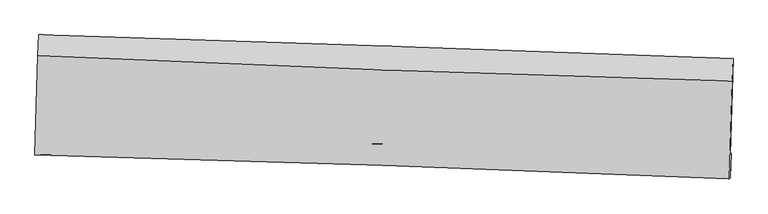
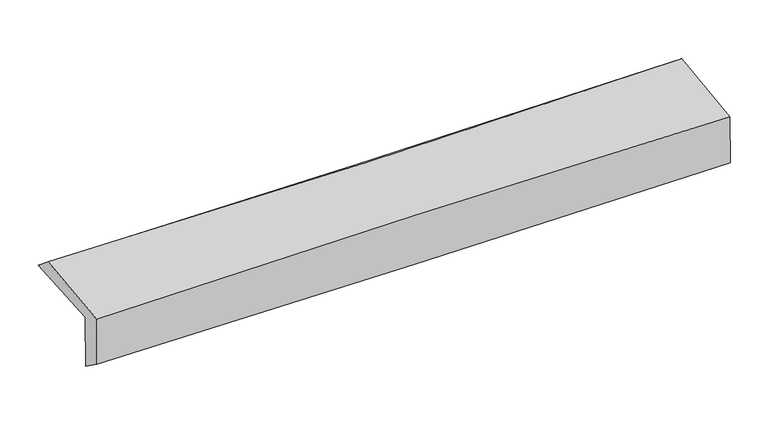
"""IFC4 building model written with IfcOpenShell, lengths in millimetres: proxy geometry."""

from ifc_helpers import new_model, si_unit, frame, origin, place, context, project, spatial, source, transform, mapped, element, save
from ifc_brep_helpers import plane_surface, spline_curve, spline_surface, advanced_brep


def generic_models_b4144944(model_context):
    return source(origin(), model_context, "Body", "AdvancedBrep", [
        advanced_brep(
        [(-2394.8913905, -1712.5806777, 2004.8191677), (-2376.0972752, -1053.2112781, 2020.2091671), (2381.6744467, -1215.281827, 2098.6242459), (2362.8242357, -1877.4262772, 2087.5197811), (-2388.7668565, -1708.9131458, 1602.0984447), (2369.1058139, -1867.8688134, 1685.6782054), (-2395.0383034, -1865.8543984, 1718.75033), (2362.8000089, -2034.4463244, 1787.4811844), (-2400.9018397, -1876.4211496, 2090.6882237), (2356.9085031, -2041.4479543, 2168.139211), (-2381.9571541, -1196.1683401, 2136.3193293), (2375.3895026, -1369.7982614, 2222.202899)],
        [
            (0, 1),
            (1, 2, spline_curve(3, [(-2376.0972752, -1053.2112781, 2020.2091671), (-1579.602002872, -1078.70084522, 2023.52262693), (-783.212761816, -1105.011516655, 2031.7618745), (802.709383547, -1159.0486786, 2057.982093592), (1592.244049501, -1186.76152321, 2075.881205876), (2381.6744467, -1215.281827, 2098.6242459)], [4, 2, 4], [0.0, 7.8433519052179586, 15.621258013747532])),
            (2, 3),
            (3, 0, spline_curve(3, [(2362.8242357, -1877.4262772, 2087.5197811), (1573.261606838, -1854.216933297, 2062.407926103), (783.665183429, -1828.941373071, 2042.965302493), (-802.239454148, -1774.027758054, 2015.302624769), (-1598.548239459, -1744.354784914, 2007.178377101), (-2394.8913905, -1712.5806777, 2004.8191677)], [4, 2, 4], [0.0, 7.7779061085295735, 15.621258013747532])),
            (4, 0),
            (3, 5),
            (5, 4, spline_curve(3, [(2369.1058139, -1867.8688134, 1685.6782054), (1579.847612585, -1834.165850952, 1660.40982822), (790.391062966, -1804.108223424, 1640.815966259), (-795.563141749, -1751.061396875, 1612.860149688), (-1592.064149037, -1728.133801783, 1604.594091629), (-2388.7668565, -1708.9131458, 1602.0984447)], [4, 2, 4], [0.0, 7.777971505558107, 15.621389358076172])),
            (6, 4),
            (5, 7),
            (7, 6, spline_curve(3, [(2362.8000089, -2034.4463244, 1787.4811844), (1573.28143939, -2006.095487738, 1769.074003479), (783.69699979, -1977.928827396, 1754.152174357), (-802.247991372, -1921.72840621, 1731.182989052), (-1598.609655559, -1893.697757898, 1723.194533456), (-2395.0383034, -1865.8543984, 1718.75033)], [4, 2, 4], [0.0, 7.77793447877724, 15.621314992959228])),
            (8, 6),
            (7, 9),
            (9, 8, spline_curve(3, [(2356.9085031, -2041.4479543, 2168.139211), (1567.435962068, -2006.74368258, 2158.896739409), (777.876944412, -1975.681605032, 2147.85586097), (-808.058375275, -1920.611119278, 2122.069257369), (-1604.436138276, -1896.664261841, 2107.293139781), (-2400.9018397, -1876.4211496, 2090.6882237)], [4, 2, 4], [0.0, 7.777855508998821, 15.621156388925344])),
            (10, 8),
            (9, 11),
            (11, 10, spline_curve(3, [(2375.3895026, -1369.7982614, 2222.202899), (1585.765612911, -1347.843492524, 2199.527966), (796.168921291, -1322.471941905, 2181.045880017), (-789.613757259, -1264.653043234, 2152.347166537), (-1585.799284388, -1232.147953271, 2142.20139616), (-2381.9571541, -1196.1683401, 2136.3193293)], [4, 2, 4], [0.0, 7.777805510892008, 15.621055972011611])),
            (1, 10),
            (11, 2),
        ],
        [
            spline_surface(3, 3, [[(-2394.8913905, -1712.5806777, 2004.8191677), (-1598.548239586, -1744.354784925, 2007.17837699), (-802.239454161, -1774.027757929, 2015.302624639), (783.665183442, -1828.941373195, 2042.965302622), (1573.261606796, -1854.216933353, 2062.407926105), (2362.8242357, -1877.4262772, 2087.5197811)], [(-2388.626685417, -1492.79087784, 2009.94916747), (-1592.232827398, -1522.470138327, 2012.626460305), (-795.89722334, -1551.022344188, 2020.789041235), (790.01325013, -1605.643808335, 2047.970899659), (1579.589087713, -1631.731796681, 2066.899019358), (2369.107639366, -1656.711460474, 2091.221269363)], [(-2382.361980283, -1273.00107796, 2015.07916733), (-1585.917415159, -1300.585491709, 2018.074543711), (-789.554992558, -1328.016930413, 2026.275457797), (796.361316781, -1382.346243442, 2052.976496662), (1585.916568633, -1409.246659986, 2071.390112623), (2375.391043034, -1435.996643726, 2094.922757637)], [(-2376.0972752, -1053.2112781, 2020.2091671), (-1579.60200297, -1078.700845111, 2023.522627026), (-783.212761737, -1105.011516672, 2031.761874393), (802.709383469, -1159.048678583, 2057.982093698), (1592.24404955, -1186.761523314, 2075.881205877), (2381.6744467, -1215.281827, 2098.6242459)]], [4, 4], [4, 2, 4], [0.0, 2.19785514986007], [0.0, 7.8433519052179586, 15.621258013747532]),
            spline_surface(3, 3, [[(-2388.7668565, -1708.9131458, 1602.0984447), (-1592.06414907, -1728.13380181, 1604.594091666), (-795.563141804, -1751.061396818, 1612.860149788), (790.391063021, -1804.108223481, 1640.815966159), (1579.847612559, -1834.165851, 1660.409828271), (2369.1058139, -1867.8688134, 1685.6782054)], [(-2390.808367806, -1710.13565642, 1736.338685699), (-1594.225512548, -1733.540796168, 1738.78885344), (-797.788579276, -1758.716850509, 1747.007641408), (788.149103142, -1812.38594004, 1774.865744983), (1577.65227731, -1840.849545104, 1794.409194216), (2367.011954506, -1871.054634652, 1819.625397301)], [(-2392.849879194, -1711.35816708, 1870.578926701), (-1596.386876108, -1738.947790567, 1872.983615216), (-800.01401669, -1766.372304237, 1881.155133019), (785.907143321, -1820.663656636, 1908.915523799), (1575.456942044, -1847.53323925, 1928.408560159), (2364.918095094, -1874.240455948, 1953.572589199)], [(-2394.8913905, -1712.5806777, 2004.8191677), (-1598.548239586, -1744.354784925, 2007.17837699), (-802.239454161, -1774.027757929, 2015.302624639), (783.665183442, -1828.941373195, 2042.965302622), (1573.261606796, -1854.216933353, 2062.407926105), (2362.8242357, -1877.4262772, 2087.5197811)]], [4, 4], [4, 2, 4], [0.0, 1.3223807485685788], [0.0, 7.843417852518065, 15.621389358076172]),
            spline_surface(3, 3, [[(-2395.0383034, -1865.8543984, 1718.75033), (-1598.609655621, -1893.697757788, 1723.194533432), (-802.247991246, -1921.728406241, 1731.182989068), (783.696999665, -1977.928827366, 1754.152174341), (1573.281439427, -2006.095487623, 1769.074003558), (2362.8000089, -2034.4463244, 1787.4811844)], [(-2392.947821129, -1813.540647523, 1679.866368232), (-1596.427820133, -1838.509772452, 1683.661052843), (-800.019708106, -1864.839403128, 1691.742042631), (785.92835411, -1919.9886261, 1716.37343827), (1575.470163792, -1948.785608763, 1732.85261182), (2364.901943888, -1978.920487414, 1753.546858092)], [(-2390.857338771, -1761.226896677, 1640.982406468), (-1594.245984557, -1783.321787146, 1644.127572256), (-797.791424944, -1807.95039993, 1652.301096226), (788.159708577, -1862.048424747, 1678.594702231), (1577.658888193, -1891.47572986, 1696.631220008), (2367.003878912, -1923.394650386, 1719.612531708)], [(-2388.7668565, -1708.9131458, 1602.0984447), (-1592.06414907, -1728.13380181, 1604.594091666), (-795.563141804, -1751.061396818, 1612.860149788), (790.391063021, -1804.108223481, 1640.815966159), (1579.847612559, -1834.165851, 1660.409828271), (2369.1058139, -1867.8688134, 1685.6782054)]], [4, 4], [4, 2, 4], [0.0, 0.6813519700584791], [0.0, 7.8433805141819875, 15.621314992959228]),
            spline_surface(3, 3, [[(-2400.9018397, -1876.4211496, 2090.6882237), (-1604.436138327, -1896.664261742, 2107.293139829), (-808.058375206, -1920.611119175, 2122.069257333), (777.876944343, -1975.681605134, 2147.855861006), (1567.435962105, -2006.743682588, 2158.896739319), (2356.9085031, -2041.4479543, 2168.139211)], [(-2398.947327569, -1872.898899213, 1966.708925803), (-1602.493977395, -1895.675427104, 1979.260271033), (-806.121580549, -1920.983548167, 1991.773834582), (779.816962787, -1976.430679181, 2016.621298788), (1569.384454532, -2006.527617585, 2028.9558274), (2358.872338353, -2039.114077652, 2041.253202135)], [(-2396.992815531, -1869.376648787, 1842.729627897), (-1600.551816554, -1894.686592426, 1851.227402228), (-804.184785903, -1921.355977248, 1861.478411819), (781.756981221, -1977.179753318, 1885.386736559), (1571.332947, -2006.311552626, 1899.014915476), (2360.836173647, -2036.780201048, 1914.367193265)], [(-2395.0383034, -1865.8543984, 1718.75033), (-1598.609655621, -1893.697757788, 1723.194533432), (-802.247991246, -1921.728406241, 1731.182989068), (783.696999665, -1977.928827366, 1754.152174341), (1573.281439427, -2006.095487623, 1769.074003558), (2362.8000089, -2034.4463244, 1787.4811844)]], [4, 4], [4, 2, 4], [0.0, 1.2871705328046736], [0.0, 7.843300879926524, 15.621156388925344]),
            spline_surface(3, 3, [[(-2381.9571541, -1196.1683401, 2136.3193293), (-1585.799284419, -1232.147953314, 2142.201396218), (-789.613757247, -1264.653043204, 2152.347166606), (796.16892128, -1322.471941935, 2181.045879949), (1585.765613013, -1347.843492474, 2199.527966115), (2375.3895026, -1369.7982614, 2222.202899)], [(-2388.272049304, -1422.919276593, 2121.108960771), (-1592.011569059, -1453.653389449, 2130.565310759), (-795.761963229, -1483.305735216, 2142.254530178), (790.071595638, -1540.208496356, 2169.982540297), (1579.6557294, -1567.476889176, 2185.984223822), (2369.229169457, -1593.681492364, 2204.181669639)], [(-2394.586944496, -1649.670213107, 2105.898592229), (-1598.223853687, -1675.158825607, 2118.929225288), (-801.910169224, -1701.958427163, 2132.161893761), (783.974269985, -1757.945050713, 2158.919200658), (1573.545845718, -1787.110285886, 2172.440481612), (2363.068836243, -1817.564723336, 2186.160440361)], [(-2400.9018397, -1876.4211496, 2090.6882237), (-1604.436138327, -1896.664261742, 2107.293139829), (-808.058375206, -1920.611119175, 2122.069257333), (777.876944343, -1975.681605134, 2147.855861006), (1567.435962105, -2006.743682588, 2158.896739319), (2356.9085031, -2041.4479543, 2168.139211)]], [4, 4], [4, 2, 4], [0.0, 2.1509885853725352], [0.0, 7.843250461119603, 15.621055972011611]),
            spline_surface(3, 3, [[(-2376.0972752, -1053.2112781, 2020.2091671), (-1579.60200297, -1078.700845111, 2023.522627026), (-783.212761737, -1105.011516672, 2031.761874393), (802.709383469, -1159.048678583, 2057.982093698), (1592.24404955, -1186.761523314, 2075.881205877), (2381.6744467, -1215.281827, 2098.6242459)], [(-2378.050568174, -1100.863632111, 2058.912554524), (-1581.667763461, -1129.84988119, 2063.082216781), (-785.346426901, -1158.22535883, 2071.956971794), (800.529229412, -1213.523099681, 2099.003355779), (1590.084570702, -1240.455513044, 2117.096792627), (2379.57946533, -1266.787305143, 2139.81713027)], [(-2380.003861126, -1148.515986089, 2097.615941876), (-1583.733523928, -1180.998917235, 2102.641806463), (-787.480092084, -1211.439201046, 2112.152069204), (798.349075336, -1267.997520837, 2140.024617869), (1587.925091861, -1294.149502744, 2158.312379366), (2377.48448397, -1318.292783257, 2181.01001463)], [(-2381.9571541, -1196.1683401, 2136.3193293), (-1585.799284419, -1232.147953314, 2142.201396218), (-789.613757247, -1264.653043204, 2152.347166606), (796.16892128, -1322.471941935, 2181.045879949), (1585.765613013, -1347.843492474, 2199.527966115), (2375.3895026, -1369.7982614, 2222.202899)]], [4, 4], [4, 2, 4], [0.0, 0.6640606889179183], [0.0, 7.843300577027187, 15.621155785654096]),
            plane_surface(frame((2368.1170851, -1734.3782429, 2008.2742545), z_axis=(0.999476282520398, -0.028704086529322177, 0.01494108750134916), x_axis=(0.01547269161282562, 0.01838817873262721, -0.9997111936440201))),
            plane_surface(frame((-2389.6088032, -1568.8581649, 1928.8141104), z_axis=(-0.9994725202784914, 0.028836773659662678, -0.01493725855243372), x_axis=(-0.028483842990434684, -0.9993220857083714, -0.0233246587106156))),
        ],
        [
            (0, [[1, 2, 3, 4]]),
            (1, [[5, -4, 6, 7]]),
            (2, [[8, -7, 9, 10]]),
            (3, [[11, -10, 12, 13]]),
            (4, [[14, -13, 15, 16]]),
            (5, [[17, -16, 18, -2]]),
            (6, [[-12, -9, -6, -3, -18, -15]]),
            (7, [[-1, -5, -8, -11, -14, -17]]),
        ],
    ),
    ])


if __name__ == "__main__":
    model = new_model("IFC4")
    model_context = context("Model", 3, world=origin())
    ifc_project = project(units=[si_unit("LENGTHUNIT", "METRE", prefix="MILLI")], contexts=[model_context])
    site = spatial("IfcSite", under=ifc_project)
    building = spatial("IfcBuilding", under=site)
    placement = place(None, origin())
    generic_models_shape = generic_models_b4144944(model_context)
    element("IfcBuildingElementProxy", 1, Name="Generic Models", at=placement, inside=building, context=model_context, shape_type="MappedRepresentation", body=[
        mapped(generic_models_shape, transform((0.0, 0.0, 0.0), x_axis=(1.0, 0.0, 0.0), y_axis=(0.0, 1.0, 0.0), z_axis=(0.0, 0.0, 1.0))),
    ])
    save(model, "model.ifc")
